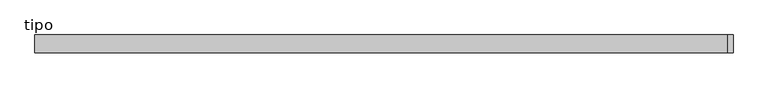
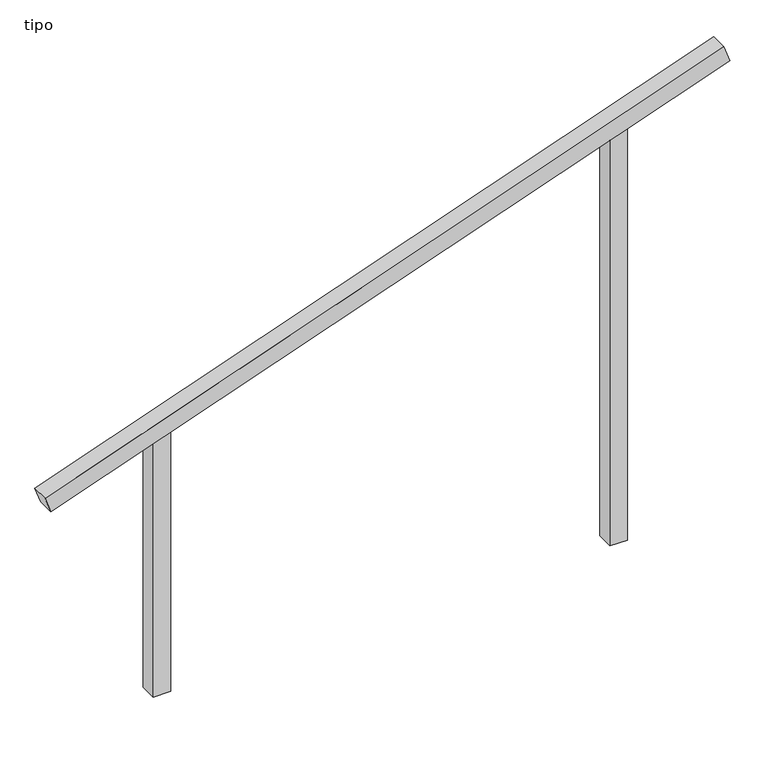
"""IFC4 building model written with IfcOpenShell, lengths in millimetres: proxy geometry, tipo."""

from ifc_helpers import new_model, si_unit, frame, origin, place, context, project, spatial, polyline, outline, extrude, source, transform, mapped, element, save


def tipo_d7607ec0(model_context):
    return source(origin(), model_context, "Body", "SweptSolid", [
        extrude(outline(polyline([(0.0, -4100.0), (0.0, 0.0), (100.0, 0.0), (100.0, -4100.0), (0.0, -4100.0)])), frame((-1933.555787, -100.0, 1318.9258348), z_axis=(-0.3322313000789563, 0.0, 0.9431979448916576), x_axis=(0.0, 1.0, 0.0)), (0.0, 0.0, 1.0), 100.0),
        extrude(outline(polyline([(2475.5229351, 1350.0), (2440.299014, 1250.0), (0.0, 1250.0), (0.0, 1350.0), (2475.5229351, 1350.0)])), frame((0.0, -100.0, 0.0), z_axis=(0.0, 1.0, 0.0), x_axis=(0.0, 0.0, 1.0)), (0.0, 0.0, 1.0), 100.0),
        extrude(outline(polyline([(1524.4770649, -1350.0), (0.0, -1350.0), (0.0, -1250.0), (1559.700986, -1250.0), (1524.4770649, -1350.0)])), frame((0.0, -100.0, 0.0), z_axis=(0.0, 1.0, 0.0), x_axis=(0.0, 0.0, 1.0)), (0.0, 0.0, 1.0), 100.0),
    ])


if __name__ == "__main__":
    model = new_model("IFC4")
    model_context = context("Model", 3, world=origin())
    ifc_project = project(units=[si_unit("LENGTHUNIT", "METRE", prefix="MILLI")], contexts=[model_context])
    site = spatial("IfcSite", under=ifc_project)
    building = spatial("IfcBuilding", under=site)
    placement = place(None, origin())
    tipo_shape = tipo_d7607ec0(model_context)
    element("IfcBuildingElementProxy", 1, Name="tipo", ObjectType="tipo", at=placement, inside=building, context=model_context, shape_type="MappedRepresentation", body=[
        mapped(tipo_shape, transform((0.0, 0.0, 0.0), x_axis=(1.0, 0.0, 0.0), y_axis=(0.0, 1.0, 0.0), z_axis=(0.0, 0.0, 1.0))),
    ])
    save(model, "model.ifc")
